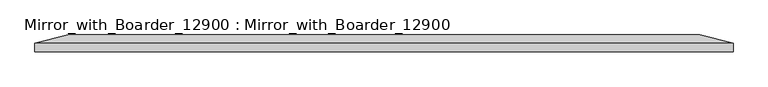
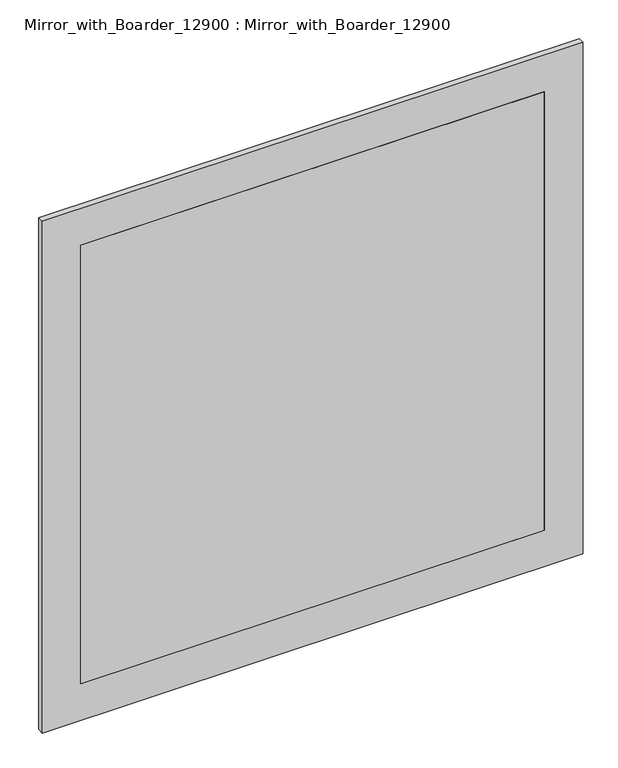
"""IFC4 building model written with IfcOpenShell, lengths in millimetres: proxy geometry, Mirror_with_Boarder_12900 : Mirror_with_Boarder_12900."""

from ifc_helpers import new_model, si_unit, frame, origin, place, context, project, spatial, polyline, outline, extrude, faceted_brep, source, transform, mapped, element, save


def mirror_with_boarder_12900_mirror_with_boarder_12900_d3fa423e(model_context):
    return source(origin(), model_context, "Body", "SolidModel", [
        faceted_brep([(446.0875, 138.1960937, 950.9125), (-446.0875, 138.1960937, 950.9125), (-446.0875, 138.1960937, 1843.0875), (446.0875, 138.1960937, 1843.0875), (457.2, 133.4335937, 939.8), (457.2, 133.4335937, 1854.2), (-457.2, 133.4335937, 1854.2), (-457.2, 133.4335937, 939.8), (-457.2, 136.6085937, 939.8), (457.2, 136.6085937, 939.8), (-457.2, 136.6085937, 1854.2), (457.2, 136.6085937, 1854.2)], [[[0, 1, 2, 3]], [[4, 5, 6, 7]], [[4, 7, 8, 9]], [[7, 6, 10, 8]], [[6, 5, 11, 10]], [[5, 4, 9, 11]], [[8, 1, 0, 9]], [[1, 8, 10, 2]], [[2, 10, 11, 3]], [[9, 0, 3, 11]]]),
        extrude(outline(polyline([(-457.2, 133.4335937), (457.2, 133.4335937), (457.2, 125.0), (-457.2, 125.0), (-457.2, 133.4335937)])), frame((0.0, 0.0, 939.8), z_axis=(0.0, 0.0, 1.0), x_axis=(1.0, 0.0, 0.0)), (0.0, 0.0, 1.0), 914.4),
        faceted_brep([(482.6, 150.4, 1879.6), (482.6, 150.4, 914.4), (-482.6, 150.4, 914.4), (-482.6, 150.4, 1879.6), (-457.2, 150.4, 1854.2), (-457.2, 150.4, 939.8), (457.2, 150.4, 939.8), (457.2, 150.4, 1854.2), (-533.4, 125.0, 1930.4), (-533.4, 125.0, 863.6), (533.4, 125.0, 863.6), (533.4, 125.0, 1930.4), (-457.2, 125.0, 1854.2), (457.2, 125.0, 1854.2), (457.2, 125.0, 939.8), (-457.2, 125.0, 939.8), (-457.2, 138.1960937, 1854.2), (-457.2, 136.6085937, 1854.2), (-457.2, 136.6085937, 939.8), (-457.2, 138.1960937, 939.8), (457.2, 136.6085937, 939.8), (457.2, 138.1960937, 939.8), (457.2, 136.6085937, 1854.2), (457.2, 138.1960937, 1854.2), (533.4, 137.7, 1930.4), (-533.4, 137.7, 1930.4), (533.4, 137.7, 863.6), (-533.4, 137.7, 863.6)], [[[0, 1, 2, 3], [4, 5, 6, 7]], [[8, 9, 10, 11], [12, 13, 14, 15]], [[5, 4, 16, 17, 12, 15, 18, 19]], [[6, 5, 19, 18, 15, 14, 20, 21]], [[7, 6, 21, 20, 14, 13, 22, 23]], [[4, 7, 23, 22, 13, 12, 17, 16]], [[8, 11, 24, 25]], [[11, 10, 26, 24]], [[10, 9, 27, 26]], [[9, 8, 25, 27]], [[26, 1, 0, 24]], [[1, 26, 27, 2]], [[2, 27, 25, 3]], [[24, 0, 3, 25]]]),
    ])


if __name__ == "__main__":
    model = new_model("IFC4")
    model_context = context("Model", 3, world=origin())
    ifc_project = project(units=[si_unit("LENGTHUNIT", "METRE", prefix="MILLI")], contexts=[model_context])
    site = spatial("IfcSite", under=ifc_project)
    building = spatial("IfcBuilding", under=site)
    placement = place(None, origin())
    mirror_with_boarder_12900_mirror_with_boarder_12900_shape = mirror_with_boarder_12900_mirror_with_boarder_12900_d3fa423e(model_context)
    element("IfcBuildingElementProxy", 1, Name="Mirror_with_Boarder_12900 : Mirror_with_Boarder_12900", ObjectType="Mirror_with_Boarder_12900 : Mirror_with_Boarder_12900", at=placement, inside=building, context=model_context, shape_type="MappedRepresentation", body=[
        mapped(mirror_with_boarder_12900_mirror_with_boarder_12900_shape, transform((0.0, 0.0, 0.0), x_axis=(1.0, 0.0, 0.0), y_axis=(0.0, 1.0, 0.0), z_axis=(0.0, 0.0, 1.0))),
    ])
    save(model, "model.ifc")
